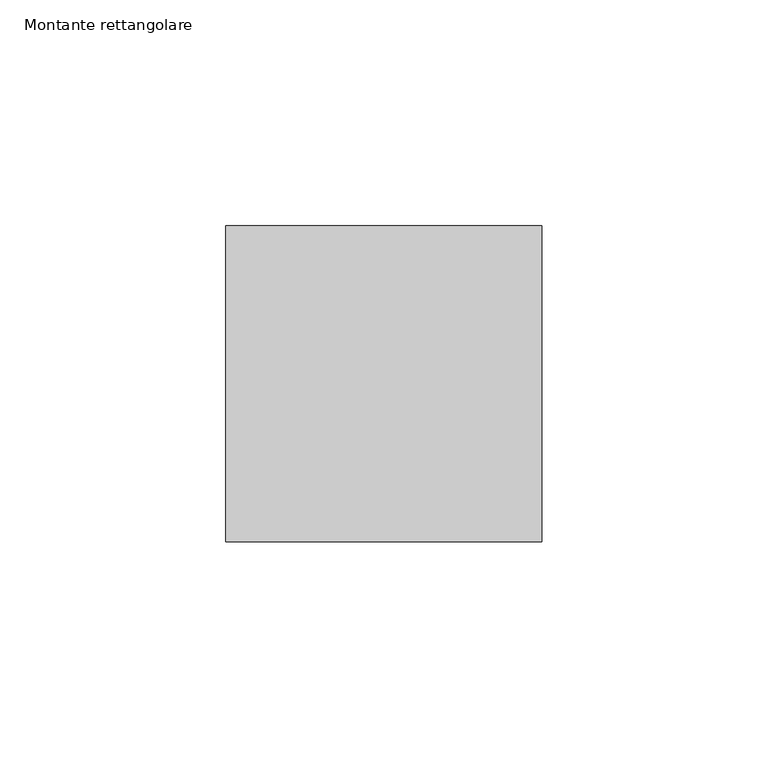
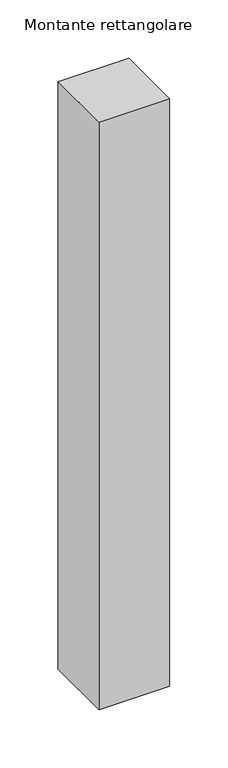
"""IFC4 building model written with IfcOpenShell, lengths in millimetres: member geometry, Montante rettangolare."""

from ifc_helpers import new_model, si_unit, frame, origin, place, context, project, spatial, polyline, outline, extrude, source, transform, mapped, element, save


def montante_rettangolare_11d629ec(model_context):
    return source(origin(), model_context, "Body", "SweptSolid", [
        extrude(outline(polyline([(0.0, 35.0), (0.0, -35.0), (-70.0, -35.0), (-70.0, 35.0), (0.0, 35.0)])), frame((0.0, 0.0, -614.8361775), z_axis=(0.0, 0.0, 1.0), x_axis=(1.0, 0.0, 0.0)), (0.0, 0.0, 1.0), 614.8361775),
    ])


if __name__ == "__main__":
    model = new_model("IFC4")
    model_context = context("Model", 3, world=origin())
    ifc_project = project(units=[si_unit("LENGTHUNIT", "METRE", prefix="MILLI")], contexts=[model_context])
    site = spatial("IfcSite", under=ifc_project)
    building = spatial("IfcBuilding", under=site)
    placement = place(None, origin())
    montante_rettangolare_shape = montante_rettangolare_11d629ec(model_context)
    element("IfcMember", 1, ObjectType="Montante rettangolare", at=placement, inside=building, context=model_context, shape_type="MappedRepresentation", body=[
        mapped(montante_rettangolare_shape, transform((0.0, 0.0, 0.0), x_axis=(1.0, 0.0, 0.0), y_axis=(0.0, 1.0, 0.0), z_axis=(0.0, 0.0, 1.0))),
    ])
    save(model, "model.ifc")
